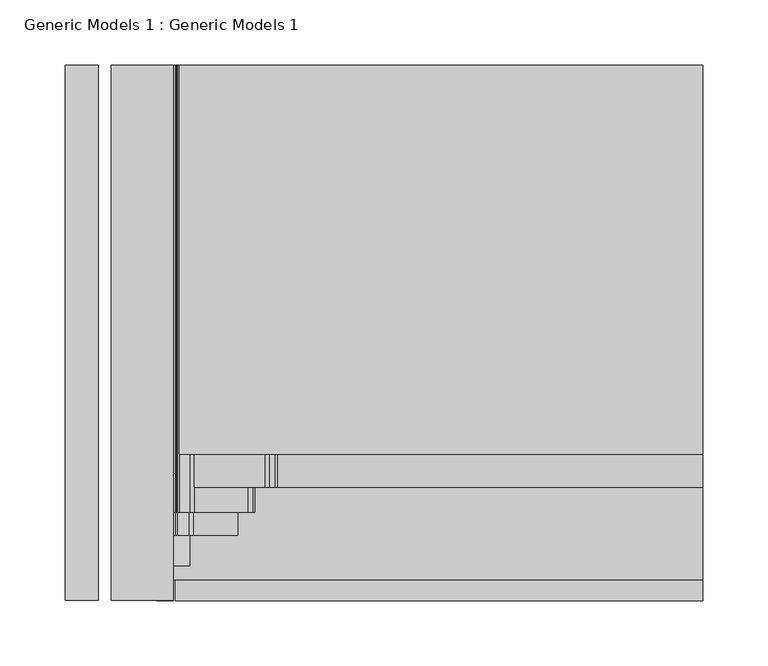
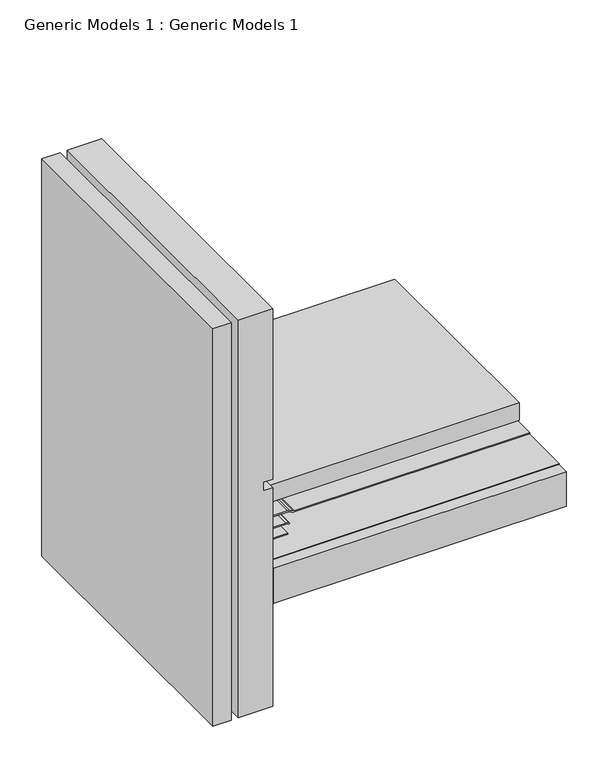
"""IFC4 building model written with IfcOpenShell, lengths in millimetres: proxy geometry, Generic Models 1 : Generic Models 1."""

from ifc_helpers import new_model, si_unit, point, frame, frame_2d, origin, place, context, project, spatial, polyline, circle_curve, trimmed, segment, composite_curve, outline, extrude, source, transform, mapped, element, save


def generic_models_1_generic_models_1_9408c321(model_context):
    return source(origin(), model_context, "Body", "SweptSolid", [
        extrude(outline(composite_curve([segment(trimmed(circle_curve(frame_2d((314.9331665, 93.1571655)), 11.3916833), [point((307.975, 84.1375))], [point((319.0875, 82.55))], True, "CARTESIAN"), True, "CONTINUOUS"), segment(polyline([(319.0875, 82.55), (319.0875, 74.6018356)]), True, "CONTINUOUS"), segment(trimmed(circle_curve(frame_2d((313.0762224, 76.9932789)), 6.4695023), [point((319.0875, 74.6018356))], [point((307.975, 73.0143356))], False, "CARTESIAN"), True, "CONTINUOUS"), segment(polyline([(307.975, 73.0143356), (307.975, 84.1375)]), True, "CONTINUOUS")], self_intersect=False)), frame((0.0, 81.7939129, 0.0), z_axis=(0.0, 1.0, 0.0), x_axis=(0.0, 0.0, 1.0)), (0.0, 0.0, 1.0), 312.053026),
        extrude(outline(composite_curve([segment(polyline([(195.2625, 487.9169046), (220.6625, 487.9169046), (220.6625, 87.3125), (206.4878202, 87.3125)]), True, "CONTINUOUS"), segment(trimmed(circle_curve(frame_2d((206.4878202, 90.4875)), 3.175), [point((206.4878202, 87.3125))], [point((204.2427561, 88.242436))], False, "CARTESIAN"), True, "CONTINUOUS"), segment(polyline([(204.2427561, 88.242436), (196.192436, 96.2927561)]), True, "CONTINUOUS"), segment(trimmed(circle_curve(frame_2d((198.4375, 98.5378202)), 3.175), [point((196.192436, 96.2927561))], [point((195.2625, 98.5378202))], False, "CARTESIAN"), True, "CONTINUOUS"), segment(polyline([(195.2625, 98.5378202), (195.2625, 487.9169046)]), True, "CONTINUOUS")], self_intersect=False)), frame((0.0, 96.3215375, 0.0), z_axis=(0.0, 1.0, 0.0), x_axis=(0.0, 0.0, 1.0)), (0.0, 0.0, 1.0), 297.5254014),
        extrude(outline(polyline([(84.1375, 261.3017557), (487.9169046, 261.3017557), (487.9169046, -15.8013273), (84.1375, -15.8013273), (84.1375, 261.3017557)])), frame((0.0, 0.0, 137.31875), z_axis=(0.0, 0.0, 1.0), x_axis=(1.0, 0.0, 0.0)), (0.0, 0.0, 1.0), 50.8),
        extrude(outline(polyline([(82.55, 393.8469389), (487.9169046, 393.8469389), (487.9169046, 0.0), (82.55, 0.0), (82.55, 393.8469389)])), frame((0.0, 0.0, 188.9125), z_axis=(0.0, 0.0, 1.0), x_axis=(1.0, 0.0, 0.0)), (0.0, 0.0, 1.0), 0.79375),
        extrude(outline(composite_curve([segment(trimmed(circle_curve(frame_2d((187.325, 152.7258878)), 6.35), [point((193.675, 152.7258878))], [point((193.0800544, 155.4095137))], True, "CARTESIAN"), True, "CONTINUOUS"), segment(polyline([(193.0800544, 155.4095137), (191.0949456, 159.6665935)]), True, "CONTINUOUS"), segment(trimmed(circle_curve(frame_2d((196.85, 162.3502195)), 6.35), [point((191.0949456, 159.6665935))], [point((190.5, 162.3502195))], False, "CARTESIAN"), True, "CONTINUOUS"), segment(polyline([(190.5, 162.3502195), (190.5, 487.9169046), (192.0875, 487.9169046), (192.0875, 162.3502195)]), True, "CONTINUOUS"), segment(trimmed(circle_curve(frame_2d((196.85, 162.3502195)), 4.7625), [point((192.0875, 162.3502195))], [point((192.5337092, 160.3375))], True, "CARTESIAN"), True, "CONTINUOUS"), segment(polyline([(192.5337092, 160.3375), (194.5188181, 156.0804202)]), True, "CONTINUOUS"), segment(trimmed(circle_curve(frame_2d((187.325, 152.7258878)), 7.9375), [point((194.5188181, 156.0804202))], [point((195.2625, 152.7258878))], False, "CARTESIAN"), True, "CONTINUOUS"), segment(polyline([(195.2625, 152.7258878), (195.2625, 98.5378202), (193.675, 98.5378202), (193.675, 152.7258878)]), True, "CONTINUOUS")], self_intersect=False)), frame((0.0, 71.0790063, 0.0), z_axis=(0.0, 1.0, 0.0), x_axis=(0.0, 0.0, 1.0)), (0.0, 0.0, 1.0), 322.7679326),
        extrude(outline(composite_curve([segment(trimmed(circle_curve(frame_2d((236.8806049, 88.9)), 6.35), [point((236.8806049, 82.55))], [point((233.8064244, 83.34375))], False, "CARTESIAN"), True, "CONTINUOUS"), segment(trimmed(circle_curve(frame_2d((230.7322439, 77.7875)), 6.35), [point((233.8064244, 83.34375))], [point((230.7322439, 84.1375))], True, "CARTESIAN"), True, "CONTINUOUS"), segment(polyline([(230.7322439, 84.1375), (206.4878202, 84.1375)]), True, "CONTINUOUS"), segment(trimmed(circle_curve(frame_2d((206.4878202, 90.4875)), 6.35), [point((206.4878202, 84.1375))], [point((201.9976921, 85.9973719))], False, "CARTESIAN"), True, "CONTINUOUS"), segment(polyline([(201.9976921, 85.9973719), (193.9473719, 94.0476921)]), True, "CONTINUOUS"), segment(trimmed(circle_curve(frame_2d((198.4375, 98.5378202)), 6.35), [point((193.9473719, 94.0476921))], [point((192.0875, 98.5378202))], False, "CARTESIAN"), True, "CONTINUOUS"), segment(polyline([(192.0875, 98.5378202), (192.0875, 139.6852414)]), True, "CONTINUOUS"), segment(trimmed(circle_curve(frame_2d((185.7375, 139.6852414)), 6.35), [point((192.0875, 139.6852414))], [point((191.2367613, 142.8602414))], True, "CARTESIAN"), True, "CONTINUOUS"), segment(polyline([(191.2367613, 142.8602414), (190.5, 144.1363494), (191.8748153, 144.9300994), (192.6115766, 143.6539914)]), True, "CONTINUOUS"), segment(trimmed(circle_curve(frame_2d((185.7375, 139.6852414)), 7.9375), [point((192.6115766, 143.6539914))], [point((193.675, 139.6852414))], False, "CARTESIAN"), True, "CONTINUOUS"), segment(polyline([(193.675, 139.6852414), (193.675, 98.5378202)]), True, "CONTINUOUS"), segment(trimmed(circle_curve(frame_2d((198.4375, 98.5378202)), 4.7625), [point((193.675, 98.5378202))], [point((195.069904, 95.1702241))], True, "CARTESIAN"), True, "CONTINUOUS"), segment(polyline([(195.069904, 95.1702241), (203.1202241, 87.119904)]), True, "CONTINUOUS"), segment(trimmed(circle_curve(frame_2d((206.4878202, 90.4875)), 4.7625), [point((203.1202241, 87.119904))], [point((206.4878202, 85.725))], True, "CARTESIAN"), True, "CONTINUOUS"), segment(polyline([(206.4878202, 85.725), (230.7322439, 85.725)]), True, "CONTINUOUS"), segment(trimmed(circle_curve(frame_2d((230.7322439, 77.7875)), 7.9375), [point((230.7322439, 85.725))], [point((234.5749695, 84.7328125))], False, "CARTESIAN"), True, "CONTINUOUS"), segment(trimmed(circle_curve(frame_2d((236.8806049, 88.9)), 4.7625), [point((234.5749695, 84.7328125))], [point((236.8806049, 84.1375))], True, "CARTESIAN"), True, "CONTINUOUS"), segment(polyline([(236.8806049, 84.1375), (307.975, 84.1375), (307.975, 71.2299738), (306.3875, 71.2299738), (306.3875, 82.55), (236.8806049, 82.55)]), True, "CONTINUOUS")], self_intersect=False)), frame((0.0, 51.9377832, 0.0), z_axis=(0.0, 1.0, 0.0), x_axis=(0.0, 0.0, 1.0)), (0.0, 0.0, 1.0), 341.9091557),
        extrude(outline(composite_curve([segment(trimmed(circle_curve(frame_2d((205.8302561, 88.9)), 6.35), [point((205.8302561, 82.55))], [point((201.3401281, 84.4098719))], False, "CARTESIAN"), True, "CONTINUOUS"), segment(polyline([(201.3401281, 84.4098719), (192.3598719, 93.3901281)]), True, "CONTINUOUS"), segment(trimmed(circle_curve(frame_2d((196.85, 97.8802561)), 6.35), [point((192.3598719, 93.3901281))], [point((190.5, 97.8802561))], False, "CARTESIAN"), True, "CONTINUOUS"), segment(polyline([(190.5, 97.8802561), (190.5, 132.159375), (192.0875, 132.159375), (192.0875, 97.8802561)]), True, "CONTINUOUS"), segment(trimmed(circle_curve(frame_2d((196.85, 97.8802561)), 4.7625), [point((192.0875, 97.8802561))], [point((193.482404, 94.5126601))], True, "CARTESIAN"), True, "CONTINUOUS"), segment(polyline([(193.482404, 94.5126601), (202.4626601, 85.532404)]), True, "CONTINUOUS"), segment(trimmed(circle_curve(frame_2d((205.8302561, 88.9)), 4.7625), [point((202.4626601, 85.532404))], [point((205.8302561, 84.1375))], True, "CARTESIAN"), True, "CONTINUOUS"), segment(polyline([(205.8302561, 84.1375), (228.6, 84.1375), (228.6, 82.55), (205.8302561, 82.55)]), True, "CONTINUOUS")], self_intersect=False)), frame((0.0, 34.1351637, 0.0), z_axis=(0.0, 1.0, 0.0), x_axis=(0.0, 0.0, 1.0)), (0.0, 0.0, 1.0), 359.7117752),
        extrude(outline(polyline([(203.2, 82.55), (190.5, 82.55), (190.5, 95.25), (203.2, 82.55)])), frame((0.0, 10.9586873, 0.0), z_axis=(0.0, 1.0, 0.0), x_axis=(0.0, 0.0, 1.0)), (0.0, 0.0, 1.0), 382.8882516),
        extrude(outline(polyline([(25.4, -15.8013273), (0.0, -15.8013273), (0.0, 393.8469389), (25.4, 393.8469389), (25.4, -15.8013273)])), frame((0.0, 0.0, -13.1245996), z_axis=(0.0, 0.0, 1.0), x_axis=(1.0, 0.0, 0.0)), (0.0, 0.0, 1.0), 580.6869312),
        extrude(outline(polyline([(319.0875, 82.55), (567.5623316, 82.55), (567.5623316, 35.0378202), (-13.1245996, 35.0378202), (-13.1245996, 82.55), (306.3875, 82.55), (306.3875, 69.85), (319.0875, 69.85), (319.0875, 82.55)])), frame((0.0, -15.8013273, 0.0), z_axis=(0.0, 1.0, 0.0), x_axis=(0.0, 0.0, 1.0)), (0.0, 0.0, 1.0), 409.6482663),
    ])


if __name__ == "__main__":
    model = new_model("IFC4")
    model_context = context("Model", 3, world=origin())
    ifc_project = project(units=[si_unit("LENGTHUNIT", "METRE", prefix="MILLI")], contexts=[model_context])
    site = spatial("IfcSite", under=ifc_project)
    building = spatial("IfcBuilding", under=site)
    placement = place(None, origin())
    generic_models_1_generic_models_1_shape = generic_models_1_generic_models_1_9408c321(model_context)
    element("IfcBuildingElementProxy", 1, Name="Generic Models 1 : Generic Models 1", ObjectType="Generic Models 1 : Generic Models 1", at=placement, inside=building, context=model_context, shape_type="MappedRepresentation", body=[
        mapped(generic_models_1_generic_models_1_shape, transform((0.0, 0.0, 0.0), x_axis=(1.0, 0.0, 0.0), y_axis=(0.0, 1.0, 0.0), z_axis=(0.0, 0.0, 1.0))),
    ])
    save(model, "model.ifc")
